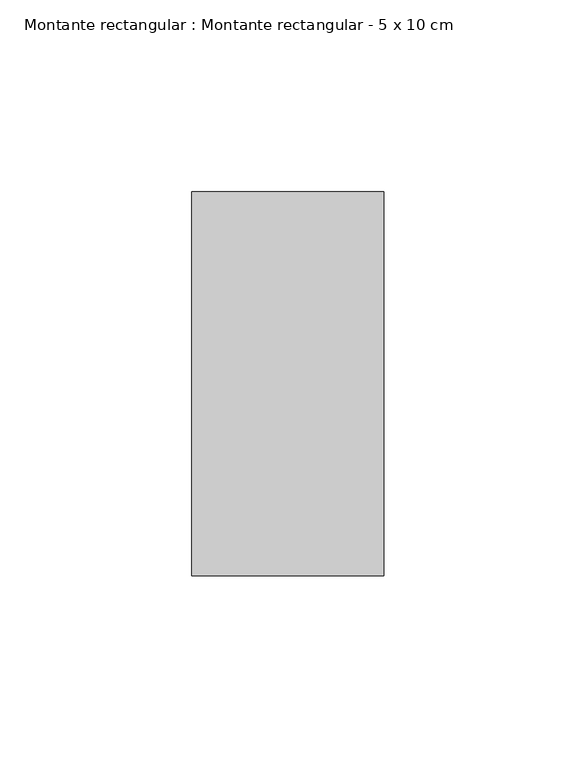
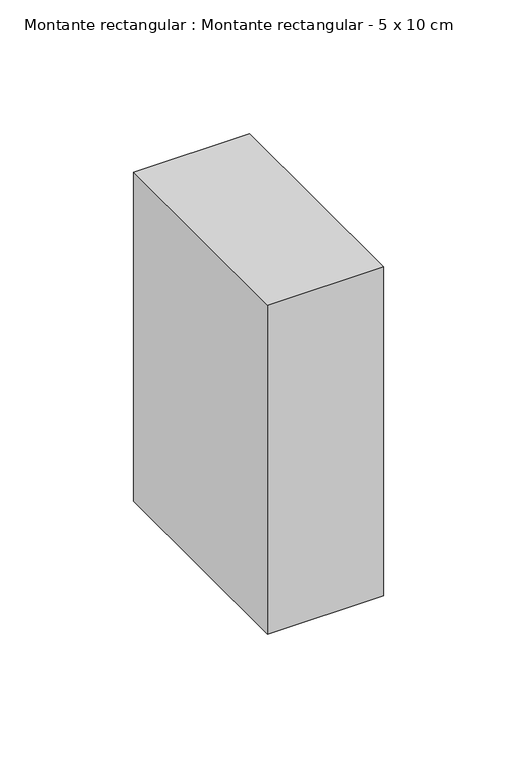
"""IFC4 building model written with IfcOpenShell, lengths in millimetres: member geometry, Montante rectangular : Montante rectangular - 5 x 10 cm."""

from ifc_helpers import new_model, si_unit, frame, origin, place, context, project, spatial, polyline, outline, extrude, source, transform, mapped, element, save


def montante_rectangular_montante_rectangular_5_x_10_cm_2d909538(model_context):
    return source(origin(), model_context, "Body", "SweptSolid", [
        extrude(outline(polyline([(-50.0, 50.0), (0.0, 50.0), (0.0, -50.0), (-50.0, -50.0), (-50.0, 50.0)])), frame((0.0, 0.0, -150.0), z_axis=(0.0, 0.0, 1.0), x_axis=(1.0, 0.0, 0.0)), (0.0, 0.0, 1.0), 150.0),
    ])


if __name__ == "__main__":
    model = new_model("IFC4")
    model_context = context("Model", 3, world=origin())
    ifc_project = project(units=[si_unit("LENGTHUNIT", "METRE", prefix="MILLI")], contexts=[model_context])
    site = spatial("IfcSite", under=ifc_project)
    building = spatial("IfcBuilding", under=site)
    placement = place(None, origin())
    montante_rectangular_montante_rectangular_5_x_10_cm_shape = montante_rectangular_montante_rectangular_5_x_10_cm_2d909538(model_context)
    element("IfcMember", 1, ObjectType="Montante rectangular : Montante rectangular - 5 x 10 cm", at=placement, inside=building, context=model_context, shape_type="MappedRepresentation", body=[
        mapped(montante_rectangular_montante_rectangular_5_x_10_cm_shape, transform((0.0, 0.0, 0.0), x_axis=(1.0, 0.0, 0.0), y_axis=(0.0, 1.0, 0.0), z_axis=(0.0, 0.0, 1.0))),
    ])
    save(model, "model.ifc")
